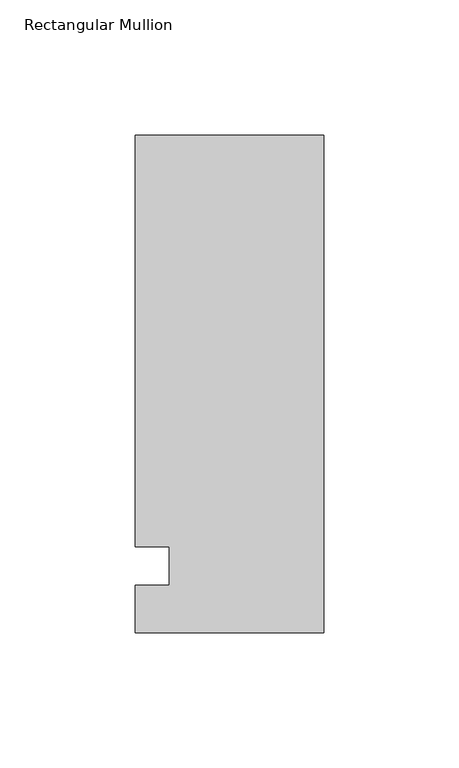
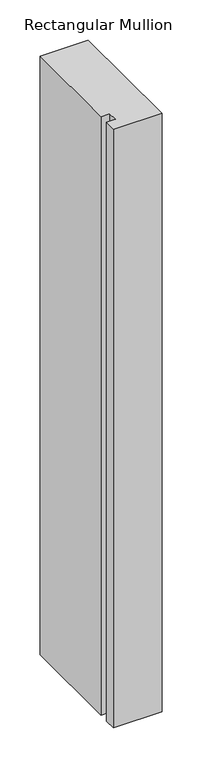
"""IFC4 building model written with IfcOpenShell, lengths in millimetres: member geometry, Rectangular Mullion."""

from ifc_helpers import new_model, si_unit, frame, origin, place, context, project, spatial, polyline, outline, extrude, source, transform, mapped, element, save


def rectangular_mullion_9834900b(model_context):
    return source(origin(), model_context, "Body", "SweptSolid", [
        extrude(outline(polyline([(-69.85, 159.54375), (0.0, 159.54375), (0.0, -24.60625), (-69.85, -24.60625), (-69.85, -7.14375), (-57.1482296, -7.14375), (-57.1482296, 7.14375), (-69.85, 7.14375), (-69.85, 159.54375)])), frame((0.0, 0.0, -913.2405973), z_axis=(0.0, 0.0, 1.0), x_axis=(1.0, 0.0, 0.0)), (0.0, 0.0, 1.0), 913.2405973),
    ])


if __name__ == "__main__":
    model = new_model("IFC4")
    model_context = context("Model", 3, world=origin())
    ifc_project = project(units=[si_unit("LENGTHUNIT", "METRE", prefix="MILLI")], contexts=[model_context])
    site = spatial("IfcSite", under=ifc_project)
    building = spatial("IfcBuilding", under=site)
    placement = place(None, origin())
    rectangular_mullion_shape = rectangular_mullion_9834900b(model_context)
    element("IfcMember", 1, ObjectType="Rectangular Mullion", at=placement, inside=building, context=model_context, shape_type="MappedRepresentation", body=[
        mapped(rectangular_mullion_shape, transform((0.0, 0.0, 0.0), x_axis=(1.0, 0.0, 0.0), y_axis=(0.0, 1.0, 0.0), z_axis=(0.0, 0.0, 1.0))),
    ])
    save(model, "model.ifc")
